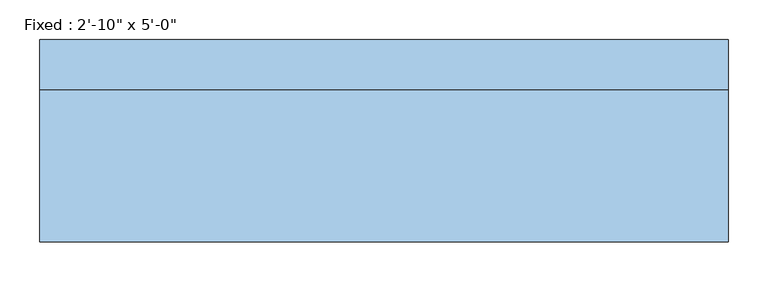
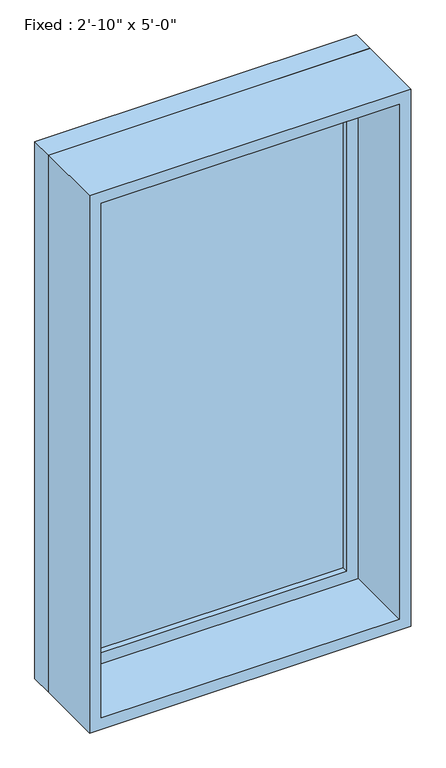
"""IFC4 building model written with IfcOpenShell, lengths in millimetres: window geometry."""

from ifc_helpers import new_model, si_unit, frame, origin, place, context, project, spatial, polyline, outline, extrude, source, transform, mapped, element, save


def window_57784652(model_context):
    return source(origin(), model_context, "Body", "SweptSolid", [
        extrude(outline(polyline([(330.2, 79.375), (-406.4, 79.375), (-406.4, 92.075), (330.2, 92.075), (330.2, 79.375)])), frame((0.0, 0.0, 927.1), z_axis=(0.0, 0.0, 1.0), x_axis=(1.0, 0.0, 0.0)), (0.0, 0.0, 1.0), 1397.0),
        extrude(outline(polyline([(2368.55, -450.85), (882.65, -450.85), (882.65, 374.65), (2368.55, 374.65), (2368.55, -450.85)]), holes=[polyline([(2324.1, -406.4), (2324.1, 330.2), (927.1, 330.2), (927.1, -406.4), (2324.1, -406.4)])]), frame((0.0, 63.5, 0.0), z_axis=(0.0, 1.0, 0.0), x_axis=(0.0, 0.0, 1.0)), (0.0, 0.0, 1.0), 44.45),
        extrude(outline(polyline([(2387.6, -469.9), (863.6, -469.9), (863.6, 393.7), (2387.6, 393.7), (2387.6, -469.9)]), holes=[polyline([(2355.85, -438.15), (2355.85, 361.95), (895.35, 361.95), (895.35, -438.15), (2355.85, -438.15)])]), frame((0.0, -127.0, 0.0), z_axis=(0.0, 1.0, 0.0), x_axis=(0.0, 0.0, 1.0)), (0.0, 0.0, 1.0), 190.5),
        extrude(outline(polyline([(2387.6, 393.7), (2387.6, -469.9), (863.6, -469.9), (863.6, 393.7), (2387.6, 393.7)]), holes=[polyline([(2368.55, 374.65), (882.65, 374.65), (882.65, -450.85), (2368.55, -450.85), (2368.55, 374.65)])]), frame((0.0, 63.5, 0.0), z_axis=(0.0, 1.0, 0.0), x_axis=(0.0, 0.0, 1.0)), (0.0, 0.0, 1.0), 63.5),
    ])


if __name__ == "__main__":
    model = new_model("IFC4")
    model_context = context("Model", 3, world=origin())
    ifc_project = project(units=[si_unit("LENGTHUNIT", "METRE", prefix="MILLI")], contexts=[model_context])
    site = spatial("IfcSite", under=ifc_project)
    building = spatial("IfcBuilding", under=site)
    placement = place(None, origin())
    window_shape = window_57784652(model_context)
    element("IfcWindow", 1, ObjectType="Fixed : 2'-10\" x 5'-0\"", at=placement, inside=building, context=model_context, shape_type="MappedRepresentation", body=[
        mapped(window_shape, transform((0.0, 0.0, 0.0), x_axis=(1.0, 0.0, 0.0), y_axis=(0.0, 1.0, 0.0), z_axis=(0.0, 0.0, 1.0))),
    ])
    save(model, "model.ifc")
